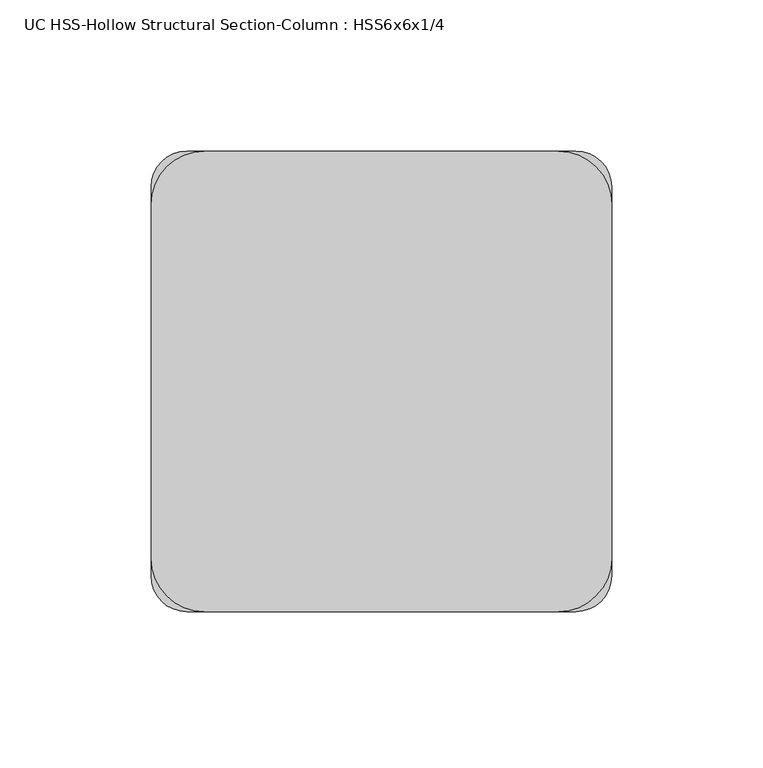
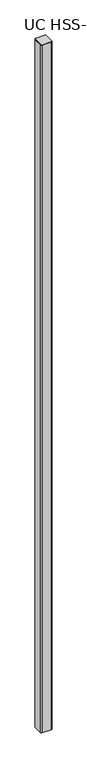
"""IFC4 building model written with IfcOpenShell, lengths in millimetres: column geometry, UC HSS-Hollow Structural Section-Column : HSS6x6x1/4."""

from ifc_helpers import new_model, si_unit, point, frame, frame_2d, origin, place, context, project, spatial, polyline, circle_curve, trimmed, segment, composite_curve, outline, extrude, source, transform, mapped, element, save


def uc_hss_hollow_structural_section_column_hss6x6x1_4_d74c8498(model_context):
    return source(origin(), model_context, "Body", "SweptSolid", [
        extrude(outline(composite_curve([segment(trimmed(circle_curve(frame_2d((-58.5390625, 58.5390625)), 17.6609375), [point((-76.2, 58.5390625))], [point((-58.5390625, 76.2))], False, "CARTESIAN"), True, "CONTINUOUS"), segment(polyline([(-58.5390625, 76.2), (58.5390625, 76.2)]), True, "CONTINUOUS"), segment(trimmed(circle_curve(frame_2d((58.5390625, 58.5390625)), 17.6609375), [point((58.5390625, 76.2))], [point((76.2, 58.5390625))], False, "CARTESIAN"), True, "CONTINUOUS"), segment(polyline([(76.2, 58.5390625), (76.2, -58.5390625)]), True, "CONTINUOUS"), segment(trimmed(circle_curve(frame_2d((58.5390625, -58.5390625)), 17.6609375), [point((76.2, -58.5390625))], [point((58.5390625, -76.2))], False, "CARTESIAN"), True, "CONTINUOUS"), segment(polyline([(58.5390625, -76.2), (-58.5390625, -76.2)]), True, "CONTINUOUS"), segment(trimmed(circle_curve(frame_2d((-58.5390625, -58.5390625)), 17.6609375), [point((-58.5390625, -76.2))], [point((-76.2, -58.5390625))], False, "CARTESIAN"), True, "CONTINUOUS"), segment(polyline([(-76.2, -58.5390625), (-76.2, 58.5390625)]), True, "CONTINUOUS")], self_intersect=False)), frame((0.0, 0.0, 9391.65), z_axis=(0.0, 0.0, 1.0), x_axis=(1.0, 0.0, 0.0)), (0.0, 0.0, 1.0), 6.35),
        extrude(outline(composite_curve([segment(trimmed(circle_curve(frame_2d((64.3636, 64.3636)), 11.8364), [point((64.3636, 76.2))], [point((76.2, 64.3636))], False, "CARTESIAN"), True, "CONTINUOUS"), segment(polyline([(76.2, 64.3636), (76.2, -64.3636)]), True, "CONTINUOUS"), segment(trimmed(circle_curve(frame_2d((64.3636, -64.3636)), 11.8364), [point((76.2, -64.3636))], [point((64.3636, -76.2))], False, "CARTESIAN"), True, "CONTINUOUS"), segment(polyline([(64.3636, -76.2), (-64.3636, -76.2)]), True, "CONTINUOUS"), segment(trimmed(circle_curve(frame_2d((-64.3636, -64.3636)), 11.8364), [point((-64.3636, -76.2))], [point((-76.2, -64.3636))], False, "CARTESIAN"), True, "CONTINUOUS"), segment(polyline([(-76.2, -64.3636), (-76.2, 64.3636)]), True, "CONTINUOUS"), segment(trimmed(circle_curve(frame_2d((-64.3636, 64.3636)), 11.8364), [point((-76.2, 64.3636))], [point((-64.3636, 76.2))], False, "CARTESIAN"), True, "CONTINUOUS"), segment(polyline([(-64.3636, 76.2), (64.3636, 76.2)]), True, "CONTINUOUS")], self_intersect=False), holes=[composite_curve([segment(polyline([(64.3636, 70.2818), (-64.3636, 70.2818)]), True, "CONTINUOUS"), segment(trimmed(circle_curve(frame_2d((-64.3636, 64.3636)), 5.9182), [point((-64.3636, 70.2818))], [point((-70.2818, 64.3636))], True, "CARTESIAN"), True, "CONTINUOUS"), segment(polyline([(-70.2818, 64.3636), (-70.2818, -64.3636)]), True, "CONTINUOUS"), segment(trimmed(circle_curve(frame_2d((-64.3636, -64.3636)), 5.9182), [point((-70.2818, -64.3636))], [point((-64.3636, -70.2818))], True, "CARTESIAN"), True, "CONTINUOUS"), segment(polyline([(-64.3636, -70.2818), (64.3636, -70.2818)]), True, "CONTINUOUS"), segment(trimmed(circle_curve(frame_2d((64.3636, -64.3636)), 5.9182), [point((64.3636, -70.2818))], [point((70.2818, -64.3636))], True, "CARTESIAN"), True, "CONTINUOUS"), segment(polyline([(70.2818, -64.3636), (70.2818, 64.3636)]), True, "CONTINUOUS"), segment(trimmed(circle_curve(frame_2d((64.3636, 64.3636)), 5.9182), [point((70.2818, 64.3636))], [point((64.3636, 70.2818))], True, "CARTESIAN"), True, "CONTINUOUS")], self_intersect=False)]), frame((0.0, 0.0, -609.6), z_axis=(0.0, 0.0, 1.0), x_axis=(1.0, 0.0, 0.0)), (0.0, 0.0, 1.0), 10001.25),
    ])


if __name__ == "__main__":
    model = new_model("IFC4")
    model_context = context("Model", 3, world=origin())
    ifc_project = project(units=[si_unit("LENGTHUNIT", "METRE", prefix="MILLI")], contexts=[model_context])
    site = spatial("IfcSite", under=ifc_project)
    building = spatial("IfcBuilding", under=site)
    placement = place(None, origin())
    uc_hss_hollow_structural_section_column_hss6x6x1_4_shape = uc_hss_hollow_structural_section_column_hss6x6x1_4_d74c8498(model_context)
    element("IfcColumn", 1, ObjectType="UC HSS-Hollow Structural Section-Column : HSS6x6x1/4", at=placement, inside=building, context=model_context, shape_type="MappedRepresentation", body=[
        mapped(uc_hss_hollow_structural_section_column_hss6x6x1_4_shape, transform((0.0, 0.0, 0.0), x_axis=(1.0, 0.0, 0.0), y_axis=(0.0, 1.0, 0.0), z_axis=(0.0, 0.0, 1.0))),
    ])
    save(model, "model.ifc")
